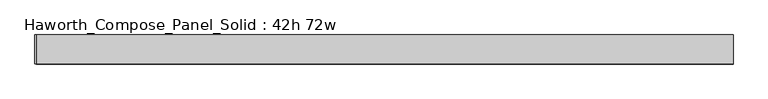
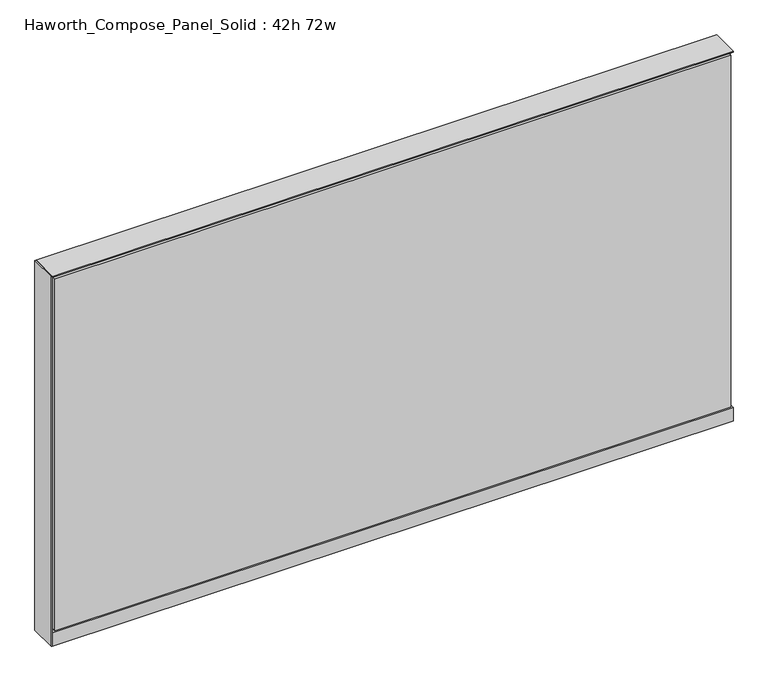
"""IFC4 building model written with IfcOpenShell, lengths in millimetres: furniture geometry, Haworth_Compose_Panel_Solid : 42h 72w."""

from ifc_helpers import new_model, si_unit, point, frame, frame_2d, origin, origin_with_axes, place, context, project, spatial, polyline, circle_curve, trimmed, segment, composite_curve, outline, extrude, source, transform, mapped, element, save


def haworth_compose_panel_solid_42h_72w_79df08ae(model_context):
    return source(origin(), model_context, "Body", "SweptSolid", [
        extrude(outline(composite_curve([segment(trimmed(circle_curve(frame_2d((-835.7597098, 0.0)), 12.7), [point((-848.4597098, 0.0))], [point((-823.0597098, 0.0))], False, "CARTESIAN"), True, "CONTINUOUS"), segment(trimmed(circle_curve(frame_2d((-835.7597098, 0.0)), 12.7), [point((-823.0597098, 0.0))], [point((-848.4597098, 0.0))], False, "CARTESIAN"), True, "CONTINUOUS")], self_intersect=False)), origin_with_axes(), (0.0, 0.0, 1.0), 12.7),
        extrude(outline(composite_curve([segment(trimmed(circle_curve(frame_2d((840.6402902, 0.0)), 12.7), [point((827.9402902, 0.0))], [point((853.3402902, 0.0))], False, "CARTESIAN"), True, "CONTINUOUS"), segment(trimmed(circle_curve(frame_2d((840.6402902, 0.0)), 12.7), [point((853.3402902, 0.0))], [point((827.9402902, 0.0))], False, "CARTESIAN"), True, "CONTINUOUS")], self_intersect=False)), origin_with_axes(), (0.0, 0.0, 1.0), 12.7),
        extrude(outline(polyline([(-915.1347098, -38.1), (-915.1347098, 38.1), (-911.9597098, 38.1), (-911.9597098, -38.1), (-915.1347098, -38.1)])), frame((0.0, 0.0, 12.7), z_axis=(0.0, 0.0, 1.0), x_axis=(1.0, 0.0, 0.0)), (0.0, 0.0, 1.0), 1050.925),
        extrude(outline(polyline([(910.4902902, -38.1), (-905.6097098, -38.1), (-905.6097098, -25.4), (910.4902902, -25.4), (910.4902902, -38.1)])), frame((0.0, 0.0, 53.975), z_axis=(0.0, 0.0, 1.0), x_axis=(1.0, 0.0, 0.0)), (0.0, 0.0, 1.0), 1000.125),
        extrude(outline(polyline([(910.4902902, 38.1), (910.4902902, 25.4), (-905.6097098, 25.4), (-905.6097098, 38.1), (910.4902902, 38.1)])), frame((0.0, 0.0, 663.575), z_axis=(0.0, 0.0, 1.0), x_axis=(1.0, 0.0, 0.0)), (0.0, 0.0, 1.0), 390.525),
        extrude(outline(polyline([(910.4902902, 38.1), (910.4902902, 25.4), (-905.6097098, 25.4), (-905.6097098, 38.1), (910.4902902, 38.1)])), frame((0.0, 0.0, 53.975), z_axis=(0.0, 0.0, 1.0), x_axis=(1.0, 0.0, 0.0)), (0.0, 0.0, 1.0), 606.425),
        extrude(outline(polyline([(916.8402902, -25.4), (-911.9597098, -25.4), (-911.9597098, 25.4), (916.8402902, 25.4), (916.8402902, -25.4)])), frame((0.0, 0.0, 12.7), z_axis=(0.0, 0.0, 1.0), x_axis=(1.0, 0.0, 0.0)), (0.0, 0.0, 1.0), 1047.75),
        extrude(outline(polyline([(-911.9597098, 38.1), (916.8402902, 38.1), (916.8402902, -38.1), (-911.9597098, -38.1), (-911.9597098, 38.1)])), frame((0.0, 0.0, 12.7), z_axis=(0.0, 0.0, 1.0), x_axis=(1.0, 0.0, 0.0)), (0.0, 0.0, 1.0), 38.1),
        extrude(outline(polyline([(-911.9597098, 38.1), (916.8402902, 38.1), (916.8402902, -38.1), (-911.9597098, -38.1), (-911.9597098, 38.1)])), frame((0.0, 0.0, 1060.45), z_axis=(0.0, 0.0, 1.0), x_axis=(1.0, 0.0, 0.0)), (0.0, 0.0, 1.0), 3.175),
    ])


if __name__ == "__main__":
    model = new_model("IFC4")
    model_context = context("Model", 3, world=origin())
    ifc_project = project(units=[si_unit("LENGTHUNIT", "METRE", prefix="MILLI")], contexts=[model_context])
    site = spatial("IfcSite", under=ifc_project)
    building = spatial("IfcBuilding", under=site)
    placement = place(None, origin())
    haworth_compose_panel_solid_42h_72w_shape = haworth_compose_panel_solid_42h_72w_79df08ae(model_context)
    element("IfcFurniture", 1, ObjectType="Haworth_Compose_Panel_Solid : 42h 72w", at=placement, inside=building, context=model_context, shape_type="MappedRepresentation", body=[
        mapped(haworth_compose_panel_solid_42h_72w_shape, transform((0.0, 0.0, 0.0), x_axis=(1.0, 0.0, 0.0), y_axis=(0.0, 1.0, 0.0), z_axis=(0.0, 0.0, 1.0))),
    ])
    save(model, "model.ifc")
